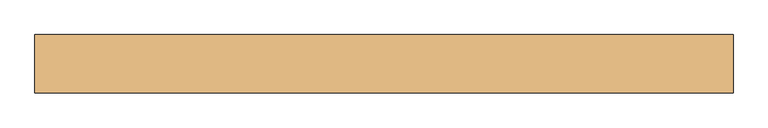
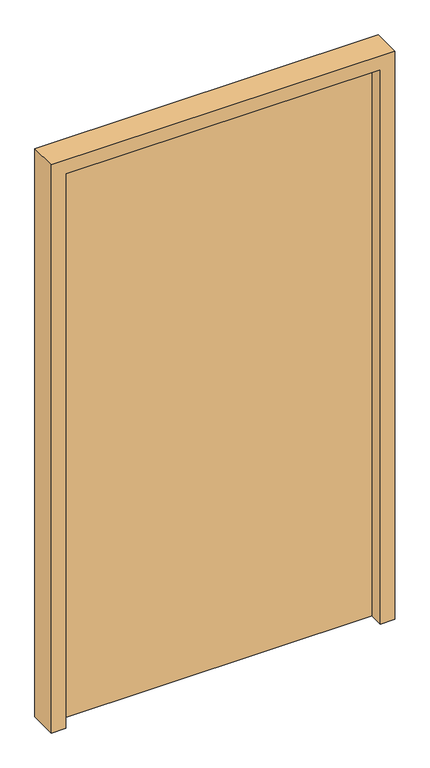
"""IFC4 building model written with IfcOpenShell, lengths in millimetres: door geometry."""

from ifc_helpers import new_model, si_unit, frame, origin, origin_with_axes, place, context, project, spatial, polyline, outline, extrude, source, transform, mapped, element, save


def door_0f211a22(model_context):
    return source(origin(), model_context, "Body", "SweptSolid", [
        extrude(outline(polyline([(-550.0, 60.0), (550.0, 60.0), (550.0, 10.0), (-550.0, 10.0), (-550.0, 60.0)])), origin_with_axes(), (0.0, 0.0, 1.0), 2050.0),
        extrude(outline(polyline([(0.0, -600.0), (0.0, -550.0), (2050.0, -550.0), (2050.0, 550.0), (0.0, 550.0), (0.0, 600.0), (2100.0, 600.0), (2100.0, -600.0), (0.0, -600.0)])), frame((0.0, -40.0, 0.0), z_axis=(0.0, 1.0, 0.0), x_axis=(0.0, 0.0, 1.0)), (0.0, 0.0, 1.0), 100.0),
    ])


if __name__ == "__main__":
    model = new_model("IFC4")
    model_context = context("Model", 3, world=origin())
    ifc_project = project(units=[si_unit("LENGTHUNIT", "METRE", prefix="MILLI")], contexts=[model_context])
    site = spatial("IfcSite", under=ifc_project)
    building = spatial("IfcBuilding", under=site)
    placement = place(None, origin())
    door_shape = door_0f211a22(model_context)
    element("IfcDoor", 1, at=placement, inside=building, context=model_context, shape_type="MappedRepresentation", body=[
        mapped(door_shape, transform((0.0, 0.0, 0.0), x_axis=(1.0, 0.0, 0.0), y_axis=(0.0, 1.0, 0.0), z_axis=(0.0, 0.0, 1.0))),
    ])
    save(model, "model.ifc")
